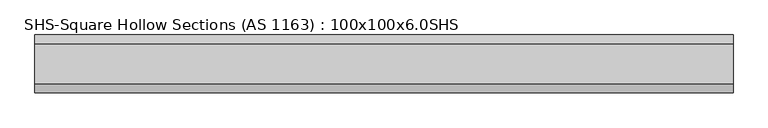
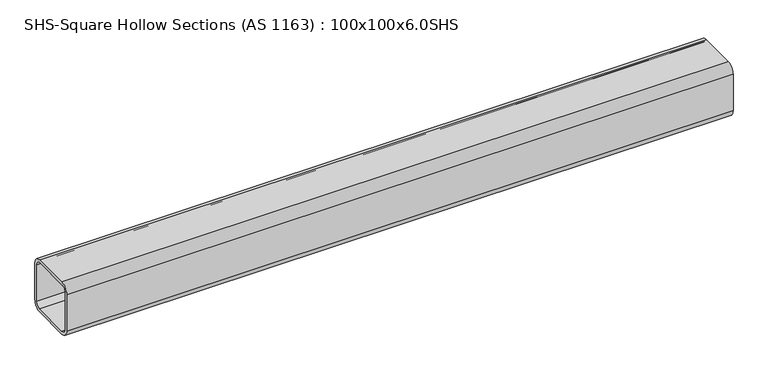
"""IFC4 building model written with IfcOpenShell, lengths in millimetres: beam geometry, SHS-Square Hollow Sections (AS 1163) : 100x100x6.0SHS."""

from ifc_helpers import new_model, si_unit, point, frame, frame_2d, origin, place, context, project, spatial, polyline, circle_curve, trimmed, segment, composite_curve, outline, extrude, source, transform, mapped, element, save


def shs_square_hollow_sections_as_1163_100x100x6_0shs_8a437945(model_context):
    return source(origin(), model_context, "Body", "SweptSolid", [
        extrude(outline(composite_curve([segment(trimmed(circle_curve(frame_2d((35.0, 35.0)), 15.0), [point((35.0, 50.0))], [point((50.0, 35.0))], False, "CARTESIAN"), True, "CONTINUOUS"), segment(polyline([(50.0, 35.0), (50.0, -35.0)]), True, "CONTINUOUS"), segment(trimmed(circle_curve(frame_2d((35.0, -35.0)), 15.0), [point((50.0, -35.0))], [point((35.0, -50.0))], False, "CARTESIAN"), True, "CONTINUOUS"), segment(polyline([(35.0, -50.0), (-35.0, -50.0)]), True, "CONTINUOUS"), segment(trimmed(circle_curve(frame_2d((-35.0, -35.0)), 15.0), [point((-35.0, -50.0))], [point((-50.0, -35.0))], False, "CARTESIAN"), True, "CONTINUOUS"), segment(polyline([(-50.0, -35.0), (-50.0, 35.0)]), True, "CONTINUOUS"), segment(trimmed(circle_curve(frame_2d((-35.0, 35.0)), 15.0), [point((-50.0, 35.0))], [point((-35.0, 50.0))], False, "CARTESIAN"), True, "CONTINUOUS"), segment(polyline([(-35.0, 50.0), (35.0, 50.0)]), True, "CONTINUOUS")], self_intersect=False), holes=[composite_curve([segment(polyline([(35.0, 44.0), (-35.0, 44.0)]), True, "CONTINUOUS"), segment(trimmed(circle_curve(frame_2d((-35.0, 35.0)), 9.0), [point((-35.0, 44.0))], [point((-44.0, 35.0))], True, "CARTESIAN"), True, "CONTINUOUS"), segment(polyline([(-44.0, 35.0), (-44.0, -35.0)]), True, "CONTINUOUS"), segment(trimmed(circle_curve(frame_2d((-35.0, -35.0)), 9.0), [point((-44.0, -35.0))], [point((-35.0, -44.0))], True, "CARTESIAN"), True, "CONTINUOUS"), segment(polyline([(-35.0, -44.0), (35.0, -44.0)]), True, "CONTINUOUS"), segment(trimmed(circle_curve(frame_2d((35.0, -35.0)), 9.0), [point((35.0, -44.0))], [point((44.0, -35.0))], True, "CARTESIAN"), True, "CONTINUOUS"), segment(polyline([(44.0, -35.0), (44.0, 35.0)]), True, "CONTINUOUS"), segment(trimmed(circle_curve(frame_2d((35.0, 35.0)), 9.0), [point((44.0, 35.0))], [point((35.0, 44.0))], True, "CARTESIAN"), True, "CONTINUOUS")], self_intersect=False)]), frame((-1200.0, 0.0, 0.0), z_axis=(1.0, 0.0, 0.0), x_axis=(0.0, 1.0, 0.0)), (0.0, 0.0, 1.0), 1207.8052492),
    ])


if __name__ == "__main__":
    model = new_model("IFC4")
    model_context = context("Model", 3, world=origin())
    ifc_project = project(units=[si_unit("LENGTHUNIT", "METRE", prefix="MILLI")], contexts=[model_context])
    site = spatial("IfcSite", under=ifc_project)
    building = spatial("IfcBuilding", under=site)
    placement = place(None, origin())
    shs_square_hollow_sections_as_1163_100x100x6_0shs_shape = shs_square_hollow_sections_as_1163_100x100x6_0shs_8a437945(model_context)
    element("IfcBeam", 1, ObjectType="SHS-Square Hollow Sections (AS 1163) : 100x100x6.0SHS", at=placement, inside=building, context=model_context, shape_type="MappedRepresentation", body=[
        mapped(shs_square_hollow_sections_as_1163_100x100x6_0shs_shape, transform((0.0, 0.0, 0.0), x_axis=(1.0, 0.0, 0.0), y_axis=(0.0, 1.0, 0.0), z_axis=(0.0, 0.0, 1.0))),
    ])
    save(model, "model.ifc")
